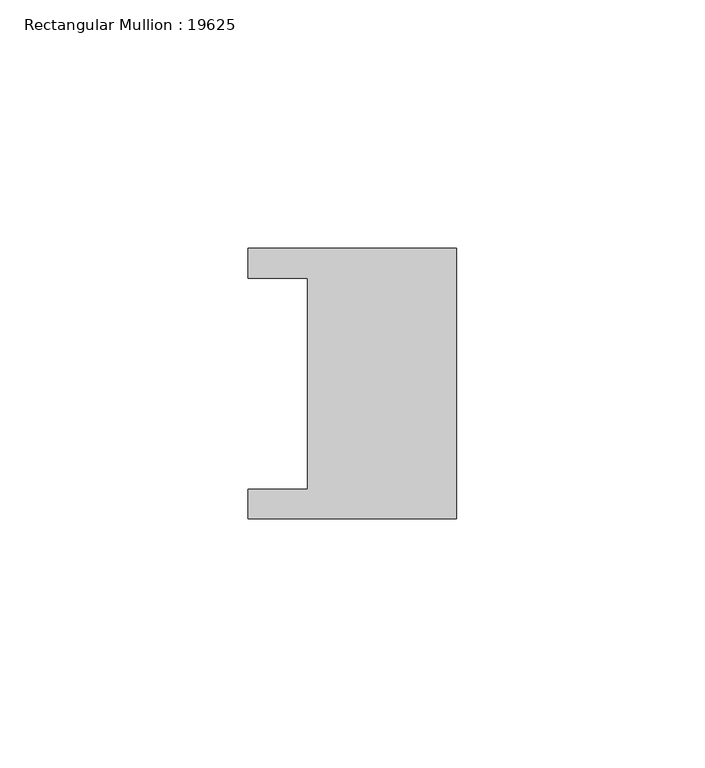
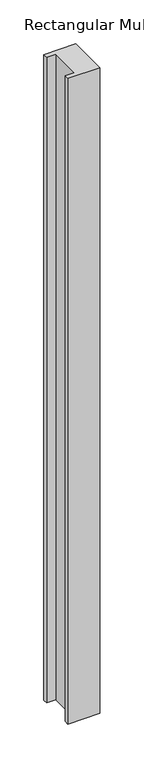
"""IFC4 building model written with IfcOpenShell, lengths in millimetres: member geometry, Rectangular Mullion : 19625."""

from ifc_helpers import new_model, si_unit, frame, origin, place, context, project, spatial, polyline, outline, extrude, source, transform, mapped, element, save


def rectangular_mullion_19625_e095e804(model_context):
    return source(origin(), model_context, "Body", "SweptSolid", [
        extrude(outline(polyline([(0.0, 27.25), (0.0, -27.25), (-42.0, -27.25), (-42.0, -21.25), (-30.0, -21.25), (-30.0, 21.25), (-42.0, 21.25), (-42.0, 27.25), (0.0, 27.25)])), frame((0.0, 0.0, -897.5), z_axis=(0.0, 0.0, 1.0), x_axis=(1.0, 0.0, 0.0)), (0.0, 0.0, 1.0), 897.5),
    ])


if __name__ == "__main__":
    model = new_model("IFC4")
    model_context = context("Model", 3, world=origin())
    ifc_project = project(units=[si_unit("LENGTHUNIT", "METRE", prefix="MILLI")], contexts=[model_context])
    site = spatial("IfcSite", under=ifc_project)
    building = spatial("IfcBuilding", under=site)
    placement = place(None, origin())
    rectangular_mullion_19625_shape = rectangular_mullion_19625_e095e804(model_context)
    element("IfcMember", 1, ObjectType="Rectangular Mullion : 19625", at=placement, inside=building, context=model_context, shape_type="MappedRepresentation", body=[
        mapped(rectangular_mullion_19625_shape, transform((0.0, 0.0, 0.0), x_axis=(1.0, 0.0, 0.0), y_axis=(0.0, 1.0, 0.0), z_axis=(0.0, 0.0, 1.0))),
    ])
    save(model, "model.ifc")
